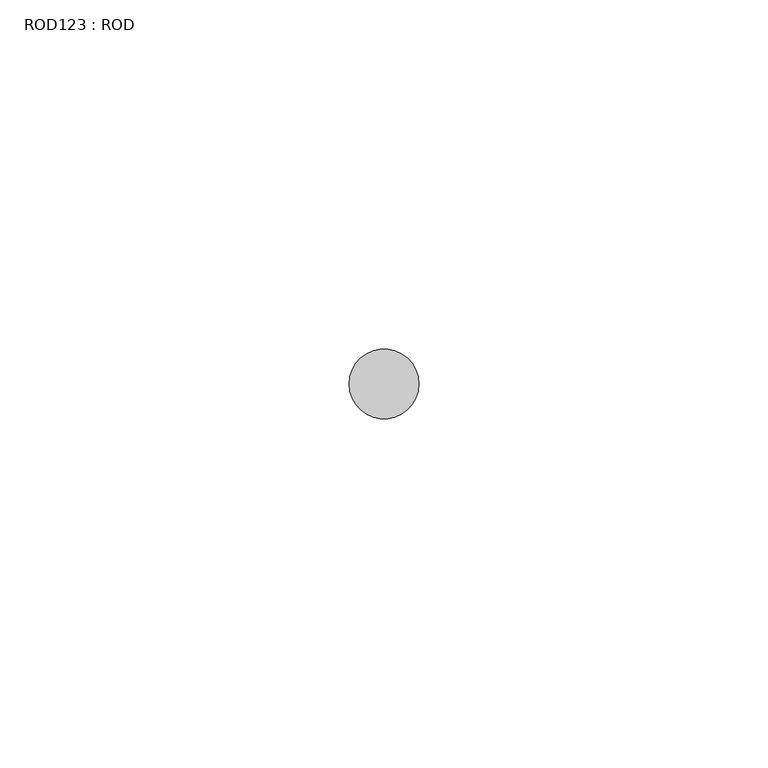
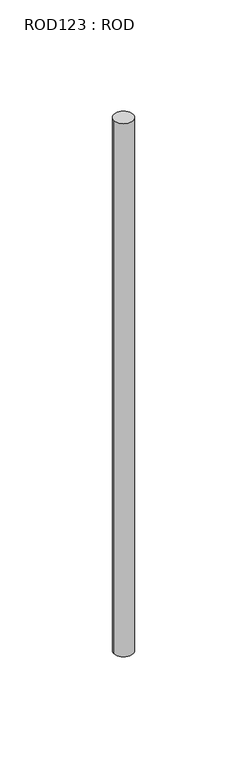
"""IFC4 building model written with IfcOpenShell, lengths in millimetres: proxy geometry, ROD123 : ROD."""

from ifc_helpers import new_model, si_unit, point, frame, frame_2d, origin, place, context, project, spatial, circle_curve, trimmed, segment, composite_curve, outline, extrude, source, transform, mapped, element, save


def rod123_rod_7f1d90fb(model_context):
    return source(origin(), model_context, "Body", "SweptSolid", [
        extrude(outline(composite_curve([segment(trimmed(circle_curve(frame_2d((11052.7784384, -12414.6300853)), 5.0), [point((11047.7784384, -12414.6300853))], [point((11057.7784384, -12414.6300853))], False, "CARTESIAN"), True, "CONTINUOUS"), segment(trimmed(circle_curve(frame_2d((11052.7784384, -12414.6300853)), 5.0), [point((11057.7784384, -12414.6300853))], [point((11047.7784384, -12414.6300853))], False, "CARTESIAN"), True, "CONTINUOUS")], self_intersect=False)), frame((0.0, 0.0, -208.6608845), z_axis=(0.0, 0.0, 1.0), x_axis=(1.0, 0.0, 0.0)), (0.0, 0.0, 1.0), 298.9028972),
    ])


if __name__ == "__main__":
    model = new_model("IFC4")
    model_context = context("Model", 3, world=origin())
    ifc_project = project(units=[si_unit("LENGTHUNIT", "METRE", prefix="MILLI")], contexts=[model_context])
    site = spatial("IfcSite", under=ifc_project)
    building = spatial("IfcBuilding", under=site)
    placement = place(None, origin())
    rod123_rod_shape = rod123_rod_7f1d90fb(model_context)
    element("IfcBuildingElementProxy", 1, Name="ROD123 : ROD", ObjectType="ROD123 : ROD", at=placement, inside=building, context=model_context, shape_type="MappedRepresentation", body=[
        mapped(rod123_rod_shape, transform((0.0, 0.0, 0.0), x_axis=(1.0, 0.0, 0.0), y_axis=(0.0, 1.0, 0.0), z_axis=(0.0, 0.0, 1.0))),
    ])
    save(model, "model.ifc")
